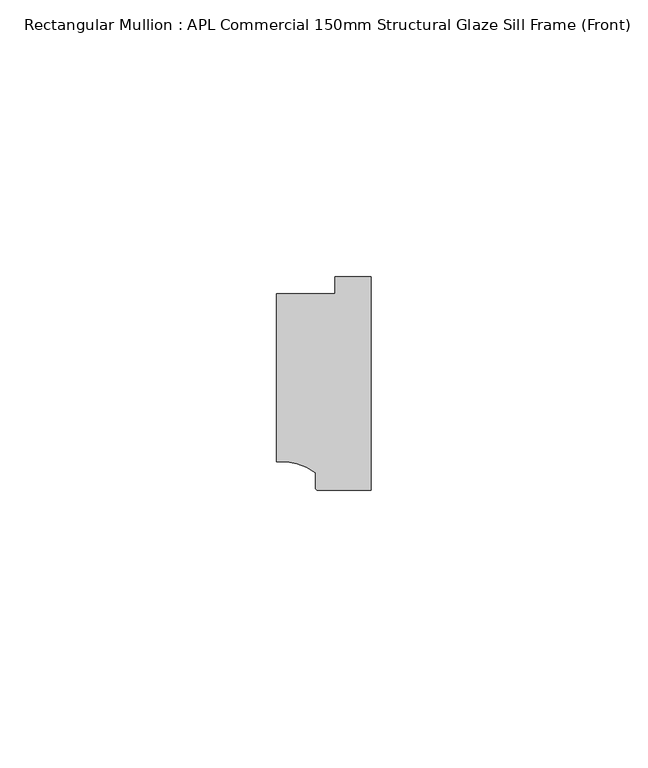
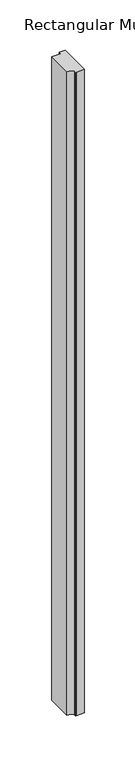
"""IFC4 building model written with IfcOpenShell, lengths in millimetres: member geometry, Rectangular Mullion : APL Commercial 150mm Structural Glaze Sill Frame (Front)."""

from ifc_helpers import new_model, si_unit, point, frame, frame_2d, origin, place, context, project, spatial, polyline, circle_curve, trimmed, segment, composite_curve, outline, extrude, source, transform, mapped, element, save


def rectangular_mullion_apl_commercial_150mm_structural_glaze_837e1b67(model_context):
    return source(origin(), model_context, "Body", "SweptSolid", [
        extrude(outline(composite_curve([segment(polyline([(-16.999942, -15.3793144), (-16.999942, 15.0004332), (-6.5000029, 15.0004332), (-6.5000029, 18.0281616), (0.0, 18.0281616), (0.0, -20.49978), (-9.5000029, -20.49978)]), True, "CONTINUOUS"), segment(trimmed(circle_curve(frame_2d((-9.5000029, -19.99978)), 0.5), [point((-9.5000029, -20.49978))], [point((-10.0, -19.9980675))], False, "CARTESIAN"), True, "CONTINUOUS"), segment(polyline([(-10.0, -19.9980675), (-10.0, -17.3120901)]), True, "CONTINUOUS"), segment(trimmed(circle_curve(frame_2d((-16.1098048, -25.7977481)), 10.4563907), [point((-10.0, -17.3120901))], [point((-16.999942, -15.3793144))], True, "CARTESIAN"), True, "CONTINUOUS")], self_intersect=False)), frame((0.0, 0.0, -782.1423127), z_axis=(0.0, 0.0, 1.0), x_axis=(1.0, 0.0, 0.0)), (0.0, 0.0, 1.0), 782.1423127),
    ])


if __name__ == "__main__":
    model = new_model("IFC4")
    model_context = context("Model", 3, world=origin())
    ifc_project = project(units=[si_unit("LENGTHUNIT", "METRE", prefix="MILLI")], contexts=[model_context])
    site = spatial("IfcSite", under=ifc_project)
    building = spatial("IfcBuilding", under=site)
    placement = place(None, origin())
    rectangular_mullion_apl_commercial_150mm_structural_glaze_shape = rectangular_mullion_apl_commercial_150mm_structural_glaze_837e1b67(model_context)
    element("IfcMember", 1, ObjectType="Rectangular Mullion : APL Commercial 150mm Structural Glaze Sill Frame (Front)", at=placement, inside=building, context=model_context, shape_type="MappedRepresentation", body=[
        mapped(rectangular_mullion_apl_commercial_150mm_structural_glaze_shape, transform((0.0, 0.0, 0.0), x_axis=(1.0, 0.0, 0.0), y_axis=(0.0, 1.0, 0.0), z_axis=(0.0, 0.0, 1.0))),
    ])
    save(model, "model.ifc")
